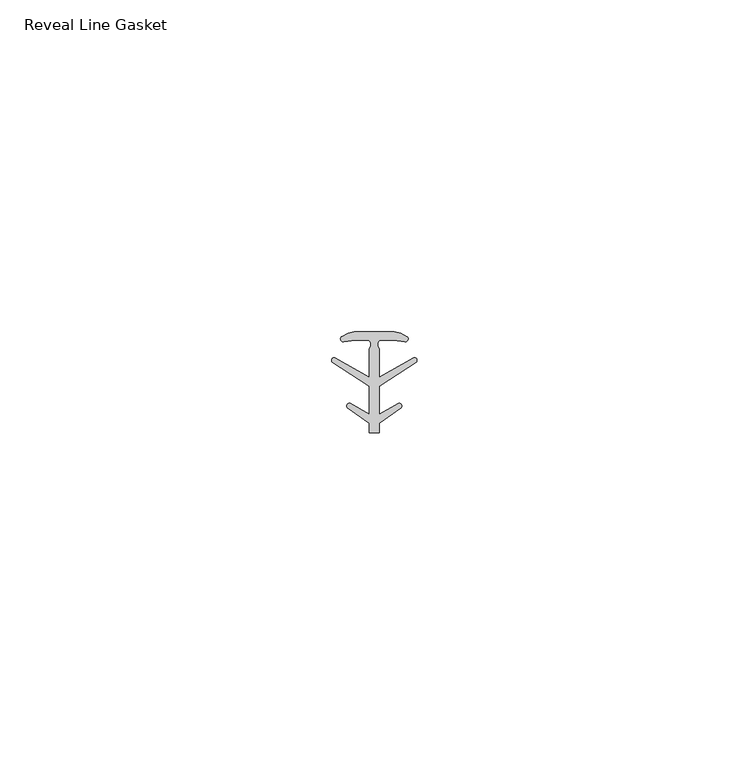
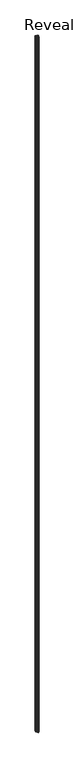
"""IFC4 building model written with IfcOpenShell, lengths in millimetres: proxy geometry, Reveal Line Gasket."""

from ifc_helpers import new_model, si_unit, point, frame, frame_2d, origin, place, context, project, spatial, polyline, circle_curve, trimmed, segment, composite_curve, outline, extrude, source, transform, mapped, element, save


def reveal_line_gasket_e38ac148(model_context):
    return source(origin(), model_context, "Body", "SweptSolid", [
        extrude(outline(composite_curve([segment(polyline([(2.999107, 7.6326998), (3.9545998, 7.4091917), (4.8875754, 6.8813059)]), True, "CONTINUOUS"), segment(trimmed(circle_curve(frame_2d((4.6855864, 6.5243141)), 0.4101739), [point((4.8875754, 6.8813059))], [point((4.5932418, 6.1246704))], False, "CARTESIAN"), True, "CONTINUOUS"), segment(polyline([(4.5932418, 6.1246704), (2.8970156, 6.3626997), (0.8645598, 6.3626997)]), True, "CONTINUOUS"), segment(trimmed(circle_curve(frame_2d((1.2810328, 5.6959605)), 0.786124), [point((0.8645598, 6.3626997))], [point((0.7769821, 5.0926996))], True, "CARTESIAN"), True, "CONTINUOUS"), segment(polyline([(0.7769821, 5.0926996), (0.7769821, 0.7492996), (5.9386365, 3.7293824)]), True, "CONTINUOUS"), segment(trimmed(circle_curve(frame_2d((6.0040832, 3.3132479)), 0.4212495), [point((5.9386365, 3.7293824))], [point((6.3317429, 3.0485022))], False, "CARTESIAN"), True, "CONTINUOUS"), segment(polyline([(6.3317429, 3.0485022), (0.7769821, -0.5742594), (0.7769821, -4.8262978), (3.6526367, -3.1660374)]), True, "CONTINUOUS"), segment(trimmed(circle_curve(frame_2d((3.7109925, -3.5978728)), 0.4357605), [point((3.6526367, -3.1660374))], [point((4.0557951, -3.864328))], False, "CARTESIAN"), True, "CONTINUOUS"), segment(polyline([(4.0557951, -3.864328), (0.7769821, -6.1944059), (0.7769821, -7.6326998), (-0.778768, -7.6326998), (-0.778768, -6.1944059), (-4.0575811, -3.864328)]), True, "CONTINUOUS"), segment(trimmed(circle_curve(frame_2d((-3.7127785, -3.5978728)), 0.4357605), [point((-4.0575811, -3.864328))], [point((-3.6544226, -3.1660374))], False, "CARTESIAN"), True, "CONTINUOUS"), segment(polyline([(-3.6544226, -3.1660374), (-0.778768, -4.8262978), (-0.778768, -0.5742594), (-6.3335288, 3.0485022)]), True, "CONTINUOUS"), segment(trimmed(circle_curve(frame_2d((-6.0058691, 3.3132479)), 0.4212495), [point((-6.3335288, 3.0485022))], [point((-5.9404224, 3.7293824))], False, "CARTESIAN"), True, "CONTINUOUS"), segment(polyline([(-5.9404224, 3.7293824), (-0.778768, 0.7492996), (-0.778768, 5.0926996)]), True, "CONTINUOUS"), segment(trimmed(circle_curve(frame_2d((-1.2828188, 5.6959605)), 0.786124), [point((-0.778768, 5.0926996))], [point((-0.8663457, 6.3626997))], True, "CARTESIAN"), True, "CONTINUOUS"), segment(polyline([(-0.8663457, 6.3626997), (-2.8988015, 6.3626997), (-4.5950277, 6.1246704)]), True, "CONTINUOUS"), segment(trimmed(circle_curve(frame_2d((-4.6873723, 6.5243141)), 0.4101739), [point((-4.5950277, 6.1246704))], [point((-4.8893614, 6.8813059))], False, "CARTESIAN"), True, "CONTINUOUS"), segment(polyline([(-4.8893614, 6.8813059), (-3.9563857, 7.4091917), (-3.000893, 7.6326998), (2.999107, 7.6326998)]), True, "CONTINUOUS")], self_intersect=False)), frame((0.0, 0.0, 84.836), z_axis=(0.0, 0.0, 1.0), x_axis=(1.0, 0.0, 0.0)), (0.0, 0.0, 1.0), 2953.6568841),
    ])


if __name__ == "__main__":
    model = new_model("IFC4")
    model_context = context("Model", 3, world=origin())
    ifc_project = project(units=[si_unit("LENGTHUNIT", "METRE", prefix="MILLI")], contexts=[model_context])
    site = spatial("IfcSite", under=ifc_project)
    building = spatial("IfcBuilding", under=site)
    placement = place(None, origin())
    reveal_line_gasket_shape = reveal_line_gasket_e38ac148(model_context)
    element("IfcBuildingElementProxy", 1, Name="Reveal Line Gasket", ObjectType="Reveal Line Gasket", at=placement, inside=building, context=model_context, shape_type="MappedRepresentation", body=[
        mapped(reveal_line_gasket_shape, transform((0.0, 0.0, 0.0), x_axis=(1.0, 0.0, 0.0), y_axis=(0.0, 1.0, 0.0), z_axis=(0.0, 0.0, 1.0))),
    ])
    save(model, "model.ifc")
